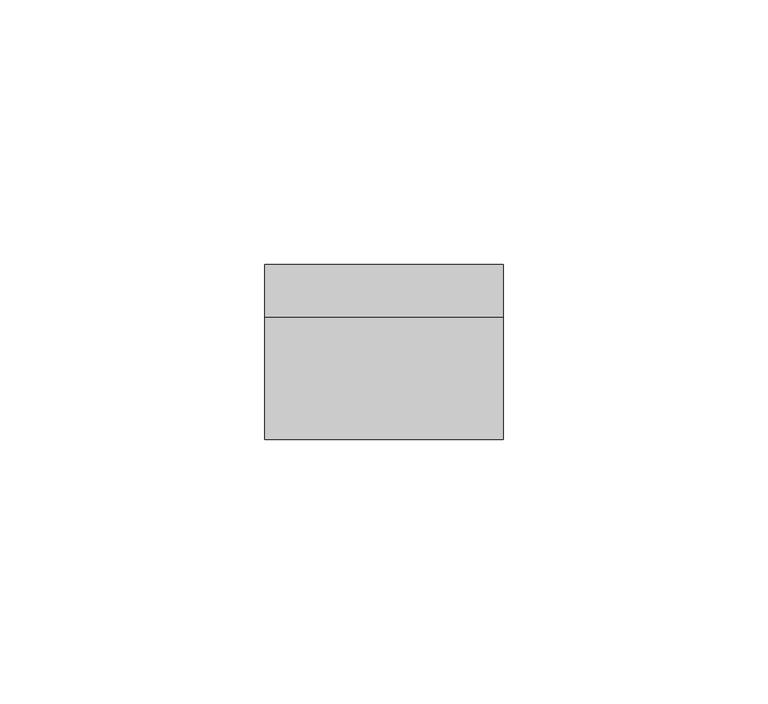
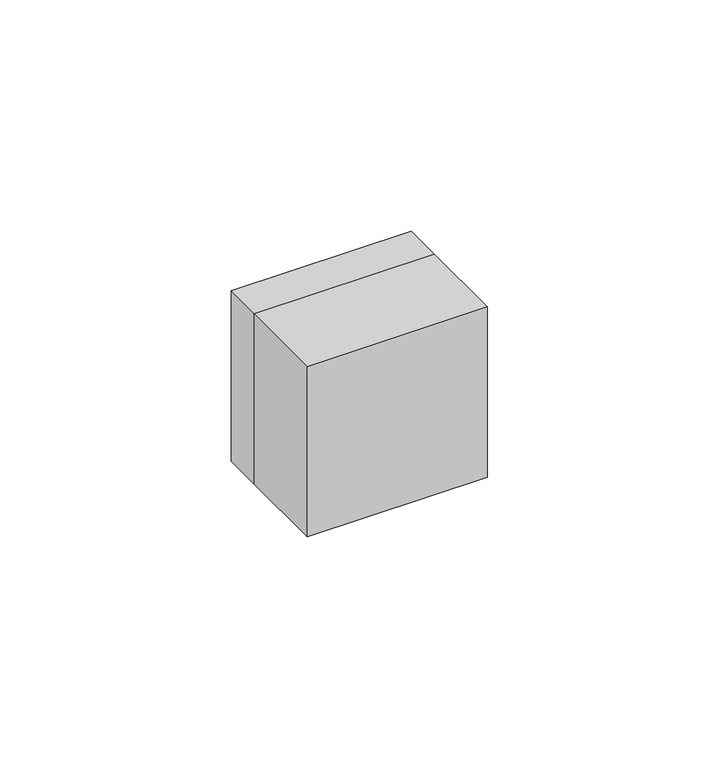
"""IFC4 building model written with IfcOpenShell, lengths in millimetres: switching device geometry."""

from ifc_helpers import new_model, si_unit, frame, origin, place, context, project, spatial, polyline, outline, extrude, source, transform, mapped, element, save


def switching_device_9f6d3299(model_context):
    return source(origin(), model_context, "Body", "SweptSolid", [
        extrude(outline(polyline([(22.5, -23.0), (-22.5, -23.0), (-22.5, 0.0), (22.5, 0.0), (22.5, -23.0)])), frame((0.0, 0.0, -22.5), z_axis=(0.0, 0.0, 1.0), x_axis=(1.0, 0.0, 0.0)), (0.0, 0.0, 1.0), 45.0),
        extrude(outline(polyline([(22.5, 0.0), (-22.5, 0.0), (-22.5, 10.0), (22.5, 10.0), (22.5, 0.0)])), frame((0.0, 0.0, -22.5), z_axis=(0.0, 0.0, 1.0), x_axis=(1.0, 0.0, 0.0)), (0.0, 0.0, 1.0), 45.0),
    ])


if __name__ == "__main__":
    model = new_model("IFC4")
    model_context = context("Model", 3, world=origin())
    ifc_project = project(units=[si_unit("LENGTHUNIT", "METRE", prefix="MILLI")], contexts=[model_context])
    site = spatial("IfcSite", under=ifc_project)
    building = spatial("IfcBuilding", under=site)
    placement = place(None, origin())
    switching_device_shape = switching_device_9f6d3299(model_context)
    element("IfcSwitchingDevice", 1, at=placement, inside=building, context=model_context, shape_type="MappedRepresentation", body=[
        mapped(switching_device_shape, transform((0.0, 0.0, 0.0), x_axis=(1.0, 0.0, 0.0), y_axis=(0.0, 1.0, 0.0), z_axis=(0.0, 0.0, 1.0))),
    ])
    save(model, "model.ifc")
